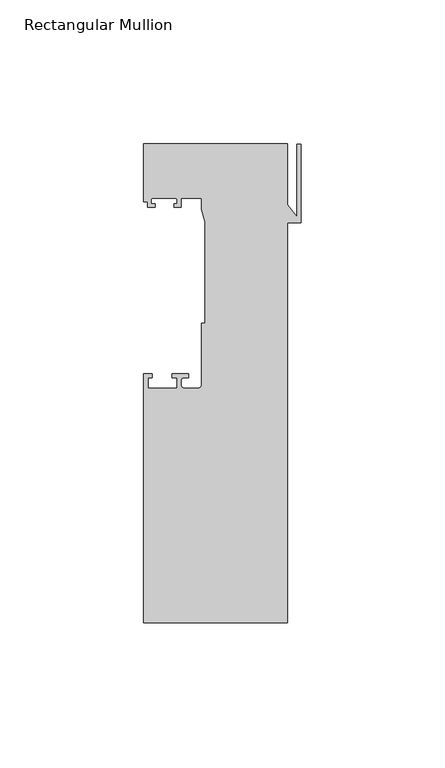
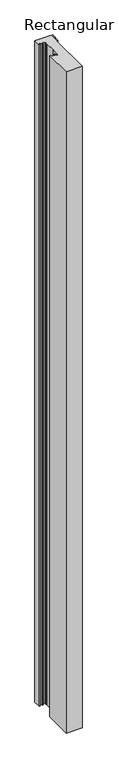
"""IFC4 building model written with IfcOpenShell, lengths in millimetres: member geometry, Rectangular Mullion."""

from ifc_helpers import new_model, si_unit, point, frame, frame_2d, origin, place, context, project, spatial, polyline, circle_curve, trimmed, segment, composite_curve, outline, extrude, source, transform, mapped, element, save


def rectangular_mullion_887b4b5f(model_context):
    return source(origin(), model_context, "Body", "SweptSolid", [
        extrude(outline(composite_curve([segment(polyline([(-54.6704163, -74.0), (-54.6704163, 12.5), (-51.8704163, 12.5), (-51.8704163, 11.2), (-53.1704163, 11.2), (-53.1704163, 7.5), (-43.1704163, 7.5), (-43.1704163, 11.2), (-44.8704163, 11.2), (-44.8704163, 12.5), (-39.0704163, 12.5), (-39.0704163, 11.2), (-40.6704163, 11.2)]), True, "CONTINUOUS"), segment(trimmed(circle_curve(frame_2d((-40.6704163, 10.2)), 1.0), [point((-40.6704163, 11.2))], [point((-41.6704163, 10.2))], True, "CARTESIAN"), True, "CONTINUOUS"), segment(polyline([(-41.6704163, 10.2), (-41.6704163, 8.5)]), True, "CONTINUOUS"), segment(trimmed(circle_curve(frame_2d((-40.6704163, 8.5)), 1.0), [point((-41.6704163, 8.5))], [point((-40.6704163, 7.5))], True, "CARTESIAN"), True, "CONTINUOUS"), segment(polyline([(-40.6704163, 7.5), (-35.6704163, 7.5)]), True, "CONTINUOUS"), segment(trimmed(circle_curve(frame_2d((-35.6704163, 8.5)), 1.0), [point((-35.6704163, 7.5))], [point((-34.6704163, 8.5))], True, "CARTESIAN"), True, "CONTINUOUS"), segment(polyline([(-34.6704163, 8.5), (-34.6704163, 30.0), (-33.3704163, 30.0), (-33.3704163, 65.3046824), (-34.6704163, 69.6597214), (-34.6704163, 73.5), (-41.3204163, 73.5)]), True, "CONTINUOUS"), segment(trimmed(circle_curve(frame_2d((-41.3204163, 73.0)), 0.5), [point((-41.3204163, 73.5))], [point((-41.8204163, 73.0))], True, "CARTESIAN"), True, "CONTINUOUS"), segment(polyline([(-41.8204163, 73.0), (-41.8204163, 70.3), (-44.2204163, 70.3), (-44.2204163, 71.5), (-43.1204163, 71.5), (-43.1204163, 73.0)]), True, "CONTINUOUS"), segment(trimmed(circle_curve(frame_2d((-43.6204163, 73.0)), 0.5), [point((-43.1204163, 73.0))], [point((-43.6204163, 73.5))], True, "CARTESIAN"), True, "CONTINUOUS"), segment(polyline([(-43.6204163, 73.5), (-51.6204163, 73.5)]), True, "CONTINUOUS"), segment(trimmed(circle_curve(frame_2d((-51.6204163, 73.0)), 0.5), [point((-51.6204163, 73.5))], [point((-52.1204163, 73.0))], True, "CARTESIAN"), True, "CONTINUOUS"), segment(polyline([(-52.1204163, 73.0), (-52.1204163, 71.5), (-50.7204163, 71.5), (-50.7204163, 70.3), (-53.4204163, 70.3), (-53.4204163, 72.3), (-54.6704163, 72.3), (-54.6704163, 92.3), (-4.6704163, 92.3), (-4.6704163, 71.1838655), (-1.5, 67.1113944), (-1.5, 92.1828622), (0.0, 92.1828622), (0.0, 65.0), (-4.6704163, 65.0), (-4.6704163, -74.0), (-54.6704163, -74.0)]), True, "CONTINUOUS")], self_intersect=False)), frame((0.0, 0.0, -2150.0), z_axis=(0.0, 0.0, 1.0), x_axis=(1.0, 0.0, 0.0)), (0.0, 0.0, 1.0), 2150.0),
    ])


if __name__ == "__main__":
    model = new_model("IFC4")
    model_context = context("Model", 3, world=origin())
    ifc_project = project(units=[si_unit("LENGTHUNIT", "METRE", prefix="MILLI")], contexts=[model_context])
    site = spatial("IfcSite", under=ifc_project)
    building = spatial("IfcBuilding", under=site)
    placement = place(None, origin())
    rectangular_mullion_shape = rectangular_mullion_887b4b5f(model_context)
    element("IfcMember", 1, ObjectType="Rectangular Mullion", at=placement, inside=building, context=model_context, shape_type="MappedRepresentation", body=[
        mapped(rectangular_mullion_shape, transform((0.0, 0.0, 0.0), x_axis=(1.0, 0.0, 0.0), y_axis=(0.0, 1.0, 0.0), z_axis=(0.0, 0.0, 1.0))),
    ])
    save(model, "model.ifc")
